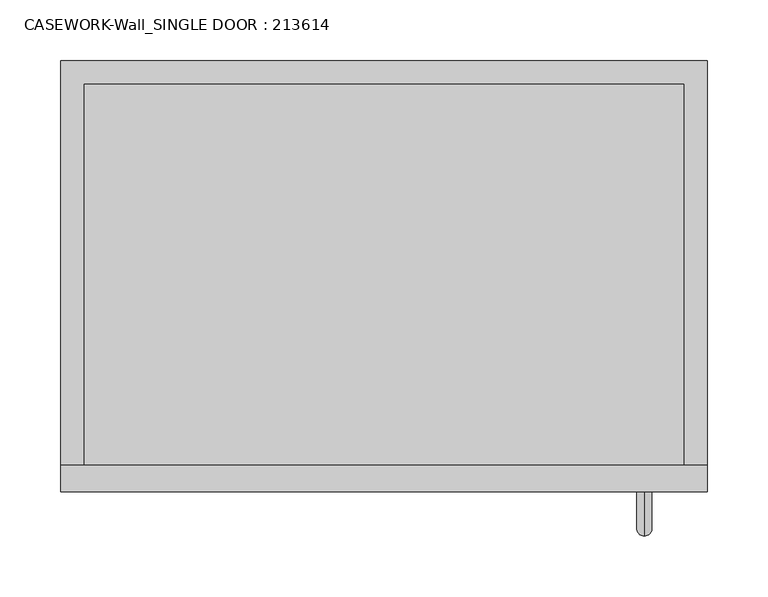
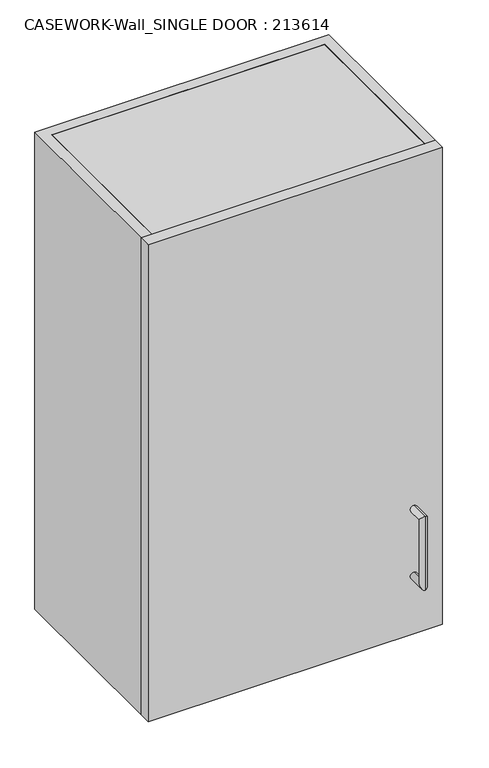
"""IFC4 building model written with IfcOpenShell, lengths in millimetres: furniture geometry, CASEWORK-Wall_SINGLE DOOR : 213614."""

from ifc_helpers import new_model, si_unit, frame, origin, place, context, project, spatial, polyline, circle_curve, ellipse_curve, outline, extrude, source, transform, mapped, element, save
from ifc_brep_helpers import plane_surface, cylinder_surface, advanced_brep


def casework_wall_single_door_213614_5aa7d5d8(model_context):
    return source(origin(), model_context, "Body", "SolidModel", [
        extrude(outline(polyline([(266.7, -397.1), (266.7, -419.1), (-266.7, -419.1), (-266.7, -397.1), (266.7, -397.1)])), frame((0.0, 0.0, 1219.2), z_axis=(0.0, 0.0, 1.0), x_axis=(1.0, 0.0, 0.0)), (0.0, 0.0, 1.0), 914.4),
        extrude(outline(polyline([(247.5, -397.1), (247.5, -82.7), (-247.5, -82.7), (-247.5, -397.1), (-266.7, -397.1), (-266.7, -63.5), (266.7, -63.5), (266.7, -397.1), (247.5, -397.1)])), frame((0.0, 0.0, 1219.2), z_axis=(0.0, 0.0, 1.0), x_axis=(1.0, 0.0, 0.0)), (0.0, 0.0, 1.0), 914.4),
        extrude(outline(polyline([(-247.5, -397.1), (-247.5, -82.7), (247.5, -82.7), (247.5, -397.1), (-247.5, -397.1)])), frame((0.0, 0.0, 1816.0), z_axis=(0.0, 0.0, 1.0), x_axis=(1.0, 0.0, 0.0)), (0.0, 0.0, 1.0), 19.2),
        extrude(outline(polyline([(-247.5, -397.1), (-247.5, -82.7), (247.5, -82.7), (247.5, -397.1), (-247.5, -397.1)])), frame((0.0, 0.0, 1517.6), z_axis=(0.0, 0.0, 1.0), x_axis=(1.0, 0.0, 0.0)), (0.0, 0.0, 1.0), 19.2),
        advanced_brep(
        [(214.7, -419.1, 1337.55), (214.7, -419.1, 1324.85), (214.7, -455.45, 1324.85), (214.7, -442.75, 1337.55), (214.7, -455.45, 1465.55), (214.7, -442.75, 1452.85), (214.7, -419.1, 1452.85), (214.7, -419.1, 1465.55)],
        [
            (0, 1, circle_curve(frame((214.7, -419.1, 1331.2), z_axis=(0.0, 1.0, 0.0), x_axis=(0.0, 0.0, -1.0)), 6.35)),
            (1, 0, circle_curve(frame((214.7, -419.1, 1331.2), z_axis=(0.0, 1.0, 0.0), x_axis=(0.0, 0.0, -1.0)), 6.35)),
            (1, 2),
            (2, 3, ellipse_curve(frame((214.7, -449.1, 1331.2), z_axis=(0.0, 0.7071067811865475, -0.7071067811865475), x_axis=(0.0, 0.7071067811865476, 0.7071067811865474)), 8.9802561, 6.35)),
            (3, 0),
            (3, 2, ellipse_curve(frame((214.7, -449.1, 1331.2), z_axis=(0.0, 0.7071067811865475, -0.7071067811865475), x_axis=(0.0, 0.7071067811865476, 0.7071067811865474)), 8.9802561, 6.35)),
            (2, 4),
            (4, 5, ellipse_curve(frame((214.7, -449.1, 1459.2), z_axis=(0.0, -0.7071067811865475, -0.7071067811865475), x_axis=(0.0, 0.7071067811865474, -0.7071067811865476)), 8.9802561, 6.35)),
            (5, 3),
            (5, 4, ellipse_curve(frame((214.7, -449.1, 1459.2), z_axis=(0.0, -0.7071067811865475, -0.7071067811865475), x_axis=(0.0, 0.7071067811865474, -0.7071067811865476)), 8.9802561, 6.35)),
            (6, 7, circle_curve(frame((214.7, -419.1, 1459.2), z_axis=(0.0, 1.0, 0.0), x_axis=(0.0, 0.0, 1.0)), 6.35)),
            (7, 6, circle_curve(frame((214.7, -419.1, 1459.2), z_axis=(0.0, 1.0, 0.0), x_axis=(0.0, 0.0, 1.0)), 6.35)),
            (4, 7),
            (6, 5),
        ],
        [
            plane_surface(frame((214.7, -419.1, 1331.2), z_axis=(0.0, 1.0, 0.0), x_axis=(-1.0, 0.0, 0.0))),
            cylinder_surface(frame((214.7, -419.1, 1331.2), z_axis=(0.0, 1.0, 0.0), x_axis=(0.0, 0.0, -1.0)), 6.35),
            cylinder_surface(frame((214.7, -449.1, 1331.2), z_axis=(0.0, 0.0, -1.0), x_axis=(0.0, -1.0, 0.0)), 6.35),
            plane_surface(frame((214.7, -419.1, 1459.2), z_axis=(0.0, 1.0, 0.0), x_axis=(-1.0, 0.0, 0.0))),
            cylinder_surface(frame((214.7, -449.1, 1459.2), z_axis=(0.0, -1.0, 0.0), x_axis=(0.0, 0.0, 1.0)), 6.35),
        ],
        [
            (0, [[1, 2]]),
            (1, [[3, 4, 5, -2]]),
            (1, [[-5, 6, -3, -1]]),
            (2, [[7, 8, 9, -4]]),
            (2, [[-9, 10, -7, -6]]),
            (3, [[11, 12]]),
            (4, [[13, -11, 14, -8]]),
            (4, [[-14, -12, -13, -10]]),
        ],
    ),
        extrude(outline(polyline([(247.5, -397.1), (-247.5, -397.1), (-247.5, -82.7), (247.5, -82.7), (247.5, -397.1)])), frame((0.0, 0.0, 2114.4), z_axis=(0.0, 0.0, 1.0), x_axis=(1.0, 0.0, 0.0)), (0.0, 0.0, 1.0), 19.2),
        extrude(outline(polyline([(247.5, -397.1), (-247.5, -397.1), (-247.5, -82.7), (247.5, -82.7), (247.5, -397.1)])), frame((0.0, 0.0, 1219.2), z_axis=(0.0, 0.0, 1.0), x_axis=(1.0, 0.0, 0.0)), (0.0, 0.0, 1.0), 19.2),
    ])


if __name__ == "__main__":
    model = new_model("IFC4")
    model_context = context("Model", 3, world=origin())
    ifc_project = project(units=[si_unit("LENGTHUNIT", "METRE", prefix="MILLI")], contexts=[model_context])
    site = spatial("IfcSite", under=ifc_project)
    building = spatial("IfcBuilding", under=site)
    placement = place(None, origin())
    casework_wall_single_door_213614_shape = casework_wall_single_door_213614_5aa7d5d8(model_context)
    element("IfcFurniture", 1, ObjectType="CASEWORK-Wall_SINGLE DOOR : 213614", at=placement, inside=building, context=model_context, shape_type="MappedRepresentation", body=[
        mapped(casework_wall_single_door_213614_shape, transform((0.0, 0.0, 0.0), x_axis=(1.0, 0.0, 0.0), y_axis=(0.0, 1.0, 0.0), z_axis=(0.0, 0.0, 1.0))),
    ])
    save(model, "model.ifc")
